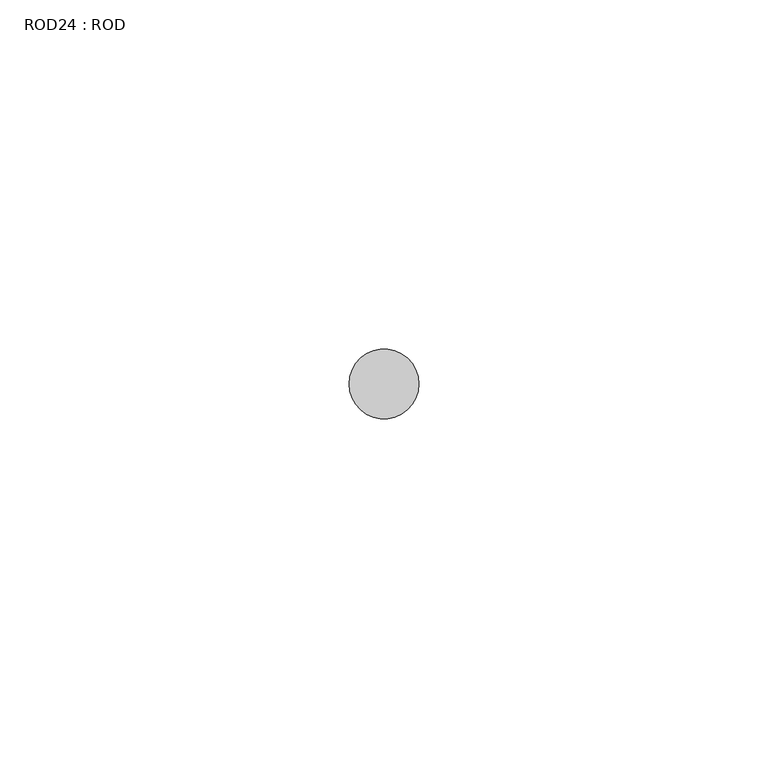
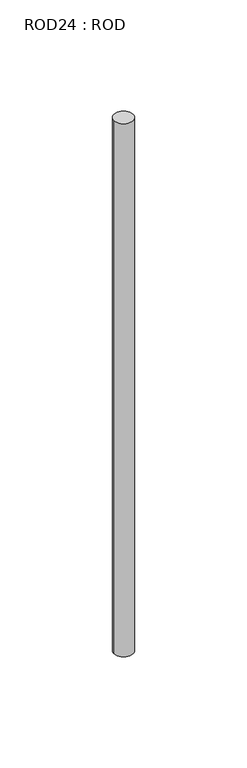
"""IFC4 building model written with IfcOpenShell, lengths in millimetres: proxy geometry, ROD24 : ROD."""

from ifc_helpers import new_model, si_unit, point, frame, frame_2d, origin, place, context, project, spatial, circle_curve, trimmed, segment, composite_curve, outline, extrude, source, transform, mapped, element, save


def rod24_rod_5e793734(model_context):
    return source(origin(), model_context, "Body", "SweptSolid", [
        extrude(outline(composite_curve([segment(trimmed(circle_curve(frame_2d((-4107.2215616, -1114.6300853)), 5.0), [point((-4112.2215616, -1114.6300853))], [point((-4102.2215616, -1114.6300853))], False, "CARTESIAN"), True, "CONTINUOUS"), segment(trimmed(circle_curve(frame_2d((-4107.2215616, -1114.6300853)), 5.0), [point((-4102.2215616, -1114.6300853))], [point((-4112.2215616, -1114.6300853))], False, "CARTESIAN"), True, "CONTINUOUS")], self_intersect=False)), frame((0.0, 0.0, -208.6608845), z_axis=(0.0, 0.0, 1.0), x_axis=(1.0, 0.0, 0.0)), (0.0, 0.0, 1.0), 298.9028972),
    ])


if __name__ == "__main__":
    model = new_model("IFC4")
    model_context = context("Model", 3, world=origin())
    ifc_project = project(units=[si_unit("LENGTHUNIT", "METRE", prefix="MILLI")], contexts=[model_context])
    site = spatial("IfcSite", under=ifc_project)
    building = spatial("IfcBuilding", under=site)
    placement = place(None, origin())
    rod24_rod_shape = rod24_rod_5e793734(model_context)
    element("IfcBuildingElementProxy", 1, Name="ROD24 : ROD", ObjectType="ROD24 : ROD", at=placement, inside=building, context=model_context, shape_type="MappedRepresentation", body=[
        mapped(rod24_rod_shape, transform((0.0, 0.0, 0.0), x_axis=(1.0, 0.0, 0.0), y_axis=(0.0, 1.0, 0.0), z_axis=(0.0, 0.0, 1.0))),
    ])
    save(model, "model.ifc")
